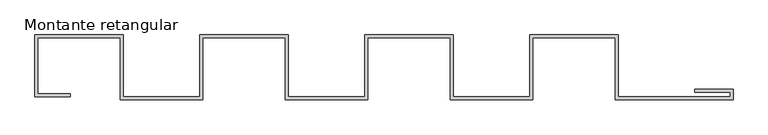
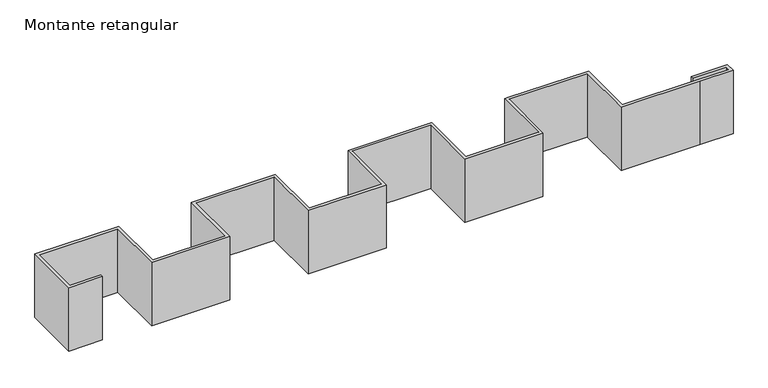
"""IFC4 building model written with IfcOpenShell, lengths in millimetres: member geometry, Montante retangular."""

import ifcopenshell
import ifcopenshell.guid

model = None  # the IFC model being written
_history = None  # IfcOwnerHistory: only IFC2X3 demands one
_inside = {}  # id of a spatial element -> (the spatial element, [elements in it])
_under = {}  # id of a project, library or spatial element -> (it, [spatial elements below it])
_declared = {}  # id of a project -> (the project, [libraries it declares])
_typed = {}  # id of a type object -> (the type object, [elements of that type])
_made_of = {}  # id of a material, layer set ... -> (it, [elements and type objects made of it])


def new_model(schema):
    """Start an empty IFC model of exactly this schema.

    Asked for "IFC4X3", IfcOpenShell would pick the latest addendum, in which some entities
    have other attributes; the version numbers below select the first issue.
    IFC2X3 requires an IfcOwnerHistory on every rooted entity: one is made here for all.
    """
    global model, _history
    if schema == "IFC4X3":
        model = ifcopenshell.file(schema_version=(4, 3, 0, 0))
    else:
        model = ifcopenshell.file(schema=schema)
    _inside.clear()
    _under.clear()
    _declared.clear()
    _typed.clear()
    _made_of.clear()
    _history = None
    if model.schema == "IFC2X3":
        org = make("IfcOrganization", Name="unknown")
        user = make(
            "IfcPersonAndOrganization",
            ThePerson=make("IfcPerson", FamilyName="unknown"),
            TheOrganization=org,
        )
        app = make(
            "IfcApplication",
            ApplicationDeveloper=org,
            Version="unknown",
            ApplicationFullName="unknown",
            ApplicationIdentifier="unknown",
        )
        _history = make(
            "IfcOwnerHistory",
            OwningUser=user,
            OwningApplication=app,
            ChangeAction="ADDED",
            CreationDate=0,
        )
    return model


def make(cls, **values):
    """One entity of the class cls with the attributes given. An attribute that is None is left unset."""
    return model.create_entity(
        cls, **{name: value for name, value in values.items() if value is not None}
    )


def rooted(cls, **values):
    """An entity with a GlobalId (a new one), such as an element, a storey or a relation."""
    return make(cls, GlobalId=ifcopenshell.guid.new(), OwnerHistory=_history, **values)


def si_unit(unit_type, name, prefix=None):
    """IfcSIUnit, for example si_unit("LENGTHUNIT", "METRE", prefix="MILLI")."""
    return make("IfcSIUnit", UnitType=unit_type, Prefix=prefix, Name=name)


def assignment(units):
    """IfcUnitAssignment: the units of a project."""
    return None if units is None else make("IfcUnitAssignment", Units=units)


def point(xyz):
    """IfcCartesianPoint."""
    return None if xyz is None else make("IfcCartesianPoint", Coordinates=xyz)


def direction(xyz):
    """IfcDirection."""
    return None if xyz is None else make("IfcDirection", DirectionRatios=xyz)


def frame(location, z_axis=None, x_axis=None):
    """IfcAxis2Placement3D, a coordinate frame: its origin and axes. An axis left out is left unset."""
    return make(
        "IfcAxis2Placement3D",
        Location=point(location),
        Axis=direction(z_axis),
        RefDirection=direction(x_axis),
    )


def origin():
    """The frame at (0, 0, 0) with its axes left unset."""
    return frame((0.0, 0.0, 0.0))


def place(relative_to, where):
    """IfcLocalPlacement: puts the frame where relative to a parent placement (None: the world)."""
    return make(
        "IfcLocalPlacement", PlacementRelTo=relative_to, RelativePlacement=where
    )


def context(
    kind, dimensions, precision=None, world=None, true_north=None, identifier=None
):
    """IfcGeometricRepresentationContext, for example the 3D "Model" context."""
    return make(
        "IfcGeometricRepresentationContext",
        ContextIdentifier=identifier,
        ContextType=kind,
        CoordinateSpaceDimension=dimensions,
        Precision=precision,
        WorldCoordinateSystem=world,
        TrueNorth=true_north,
    )


def project(units=None, contexts=None):
    """IfcProject with its units and contexts."""
    return rooted(
        "IfcProject",
        Name="project",
        RepresentationContexts=contexts,
        UnitsInContext=assignment(units),
    )


def spatial(cls, under=None, at=None, **own):
    """A site, building, storey or space (cls), placed at a placement, below another one or the project."""
    s = rooted(cls, ObjectPlacement=at, **own)
    if under is not None:
        _under.setdefault(under.id(), (under, []))[1].append(s)
    return s


def polyline(points):
    """IfcPolyline through the points."""
    return make("IfcPolyline", Points=[point(p) for p in points])


def outline(outer, holes=None, kind="AREA"):
    """IfcArbitraryClosedProfileDef: a profile drawn as a closed curve; with holes, ...WithVoids."""
    if holes is None:
        return make("IfcArbitraryClosedProfileDef", ProfileType=kind, OuterCurve=outer)
    return make(
        "IfcArbitraryProfileDefWithVoids",
        ProfileType=kind,
        OuterCurve=outer,
        InnerCurves=holes,
    )


def extrude(swept, where, along, depth):
    """IfcExtrudedAreaSolid: the profile swept, set in the frame where, extruded along a direction by depth."""
    return make(
        "IfcExtrudedAreaSolid",
        SweptArea=swept,
        Position=where,
        ExtrudedDirection=direction(along),
        Depth=depth,
    )


def shape(context_of_items, identifier, shape_type, items):
    """IfcShapeRepresentation: the items that make up one representation, for example the "Body"."""
    return make(
        "IfcShapeRepresentation",
        ContextOfItems=context_of_items,
        RepresentationIdentifier=identifier,
        RepresentationType=shape_type,
        Items=items,
    )


def source(mapping_origin, context_of_items, identifier, shape_type, items):
    """IfcRepresentationMap: a shape defined once, which mapped items show again and again."""
    return make(
        "IfcRepresentationMap",
        MappingOrigin=mapping_origin,
        MappedRepresentation=shape(context_of_items, identifier, shape_type, items),
    )


def transform(
    local_origin,
    x_axis=None,
    y_axis=None,
    z_axis=None,
    scale=None,
    scale2=None,
    scale3=None,
    uniform=True,
):
    """IfcCartesianTransformationOperator3D, or its non-uniform kind. x_axis, y_axis, z_axis: its Axis1, 2, 3."""
    if uniform:
        return make(
            "IfcCartesianTransformationOperator3D",
            Axis1=direction(x_axis),
            Axis2=direction(y_axis),
            LocalOrigin=point(local_origin),
            Scale=scale,
            Axis3=direction(z_axis),
        )
    return make(
        "IfcCartesianTransformationOperator3DnonUniform",
        Axis1=direction(x_axis),
        Axis2=direction(y_axis),
        LocalOrigin=point(local_origin),
        Scale=scale,
        Axis3=direction(z_axis),
        Scale2=scale2,
        Scale3=scale3,
    )


def mapped(mapping_source, mapping_target):
    """IfcMappedItem: shows the shape of a source again, moved by a transform."""
    return make(
        "IfcMappedItem", MappingSource=mapping_source, MappingTarget=mapping_target
    )


def made_of(thing, what):
    """Note that an element or type object is made of a material, layer set ...; save() writes the relation."""
    if what is not None:
        _made_of.setdefault(what.id(), (what, []))[1].append(thing)
    return thing


def element(
    cls,
    number,
    at=None,
    inside=None,
    cuts=None,
    type_object=None,
    material=None,
    context=None,
    identifier="Body",
    shape_type=None,
    held_by="IfcProductDefinitionShape",
    body=None,
    shapes=None,
    **own,
):
    """One element of the class cls, such as IfcWall. Its Tag is "e" and its number.

    at: its placement. inside: the storey or other place that contains it. cuts: it is an
    opening in that element (IfcRelVoidsElement). A single representation is given by context,
    identifier, shape_type and body (its items); several are given by shapes. held_by: the class
    of the entity that holds the representations. save() writes the other relations.
    """
    e = rooted(cls, Tag="e%d" % number, ObjectPlacement=at, **own)
    if body is not None:
        shapes = [shape(context, identifier, shape_type, body)]
    if shapes is not None:
        e.Representation = make(held_by, Representations=shapes)
    if inside is not None:
        _inside.setdefault(inside.id(), (inside, []))[1].append(e)
    if cuts is not None:
        rooted(
            "IfcRelVoidsElement", RelatingBuildingElement=cuts, RelatedOpeningElement=e
        )
    if type_object is not None:
        _typed.setdefault(type_object.id(), (type_object, []))[1].append(e)
    return made_of(e, material)


def aggregate(whole, parts):
    """IfcRelAggregates: a whole, such as a stair, and the parts it consists of."""
    return rooted("IfcRelAggregates", RelatingObject=whole, RelatedObjects=parts)


def save(model, path):
    """Write the relations noted so far, then the file.

    IfcRelAggregates (storeys below a building ...), IfcRelContainedInSpatialStructure (elements
    in a storey), IfcRelDefinesByType, IfcRelAssociatesMaterial and IfcRelDeclares: one each for
    every whole, place, type object, material and project.
    """
    for whole, parts in _under.values():
        aggregate(whole, parts)
    for where, things in _inside.values():
        rooted(
            "IfcRelContainedInSpatialStructure",
            RelatedElements=things,
            RelatingStructure=where,
        )
    for kind, things in _typed.values():
        rooted("IfcRelDefinesByType", RelatedObjects=things, RelatingType=kind)
    for what, things in _made_of.values():
        rooted("IfcRelAssociatesMaterial", RelatedObjects=things, RelatingMaterial=what)
    for by, libraries in _declared.values():
        rooted("IfcRelDeclares", RelatingContext=by, RelatedDefinitions=libraries)
    model.write(path)


def montante_retangular_af49ed23(model_context):
    return source(origin(), model_context, "Body", "SweptSolid", [
        extrude(outline(polyline([(-20800.0, 2100.0), (-23600.0, 2100.0), (-23600.0, 200.0), (-22500.0, 200.0), (-22500.0, 100.0), (-23700.0, 100.0), (-23700.0, 2200.0), (-20700.0, 2200.0), (-20700.0, 100.0), (-18100.0, 100.0), (-18100.0, 2200.0), (-15100.0, 2200.0), (-15100.0, 100.0), (-12500.0, 100.0), (-12500.0, 2200.0), (-9500.0, 2200.0), (-9500.0, 100.0), (-6900.0, 100.0), (-6900.0, 2200.0), (-6800.0, 2200.0), (-3900.0, 2200.0), (-3900.0, 100.0), (-1200.0, 100.0), (-100.0, 100.0), (-100.0, 250.0), (-1300.0, 250.0), (-1300.0, 350.0), (0.0, 350.0), (0.0, 0.0), (-1200.0, 0.0), (-4000.0, 0.0), (-4000.0, 2100.0), (-6800.0, 2100.0), (-6800.0, 0.0), (-9600.0, 0.0), (-9600.0, 2100.0), (-12400.0, 2100.0), (-12400.0, 0.0), (-15200.0, 0.0), (-15200.0, 2100.0), (-18000.0, 2100.0), (-18000.0, 0.0), (-20800.0, 0.0), (-20800.0, 2100.0)])), frame((0.0, 0.0, -2400.0), z_axis=(0.0, 0.0, 1.0), x_axis=(1.0, 0.0, 0.0)), (0.0, 0.0, 1.0), 2400.0),
    ])


if __name__ == "__main__":
    model = new_model("IFC4")
    model_context = context("Model", 3, world=origin())
    ifc_project = project(units=[si_unit("LENGTHUNIT", "METRE", prefix="MILLI")], contexts=[model_context])
    site = spatial("IfcSite", under=ifc_project)
    building = spatial("IfcBuilding", under=site)
    placement = place(None, origin())
    montante_retangular_shape = montante_retangular_af49ed23(model_context)
    element("IfcMember", 1, ObjectType="Montante retangular", at=placement, inside=building, context=model_context, shape_type="MappedRepresentation", body=[
        mapped(montante_retangular_shape, transform((0.0, 0.0, 0.0), x_axis=(1.0, 0.0, 0.0), y_axis=(0.0, 1.0, 0.0), z_axis=(0.0, 0.0, 1.0))),
    ])
    save(model, "model.ifc")
